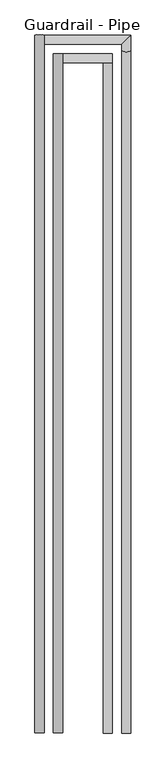
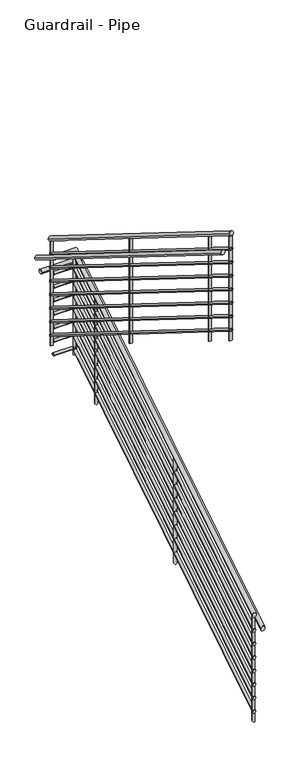
"""IFC4 building model written with IfcOpenShell, lengths in millimetres: railing geometry, Guardrail - Pipe."""

from ifc_helpers import new_model, si_unit, point, frame, frame_2d, origin, place, context, project, spatial, circle_curve, ellipse_curve, trimmed, segment, composite_curve, outline, extrude, source, transform, mapped, element, save
from ifc_brep_helpers import plane_surface, cylinder_surface, advanced_brep


def guardrail_pipe_376e8ecb(model_context):
    return source(origin(), model_context, "Body", "SolidModel", [
        advanced_brep(
        [(59476.8486844, -19849.6368097, 1218.5231361), (59438.7486844, -19849.6368097, 1218.5231361), (59476.8486844, -17100.0868097, 2932.5283309), (59438.7486844, -17100.0868097, 2932.5283309)],
        [
            (0, 1, ellipse_curve(frame((59457.7986844, -19849.6368097, 1218.5231361), z_axis=(0.0, -1.0, 0.0), x_axis=(0.0, 0.0, -1.0)), 22.4482925, 19.05)),
            (1, 0, ellipse_curve(frame((59457.7986844, -19849.6368097, 1218.5231361), z_axis=(0.0, -1.0, 0.0), x_axis=(0.0, 0.0, -1.0)), 22.4482925, 19.05)),
            (2, 3, ellipse_curve(frame((59457.7986844, -17100.0868097, 2932.5283309), z_axis=(0.0, 1.0, 0.0), x_axis=(0.0, 0.0, -1.0)), 22.4482925, 19.05)),
            (3, 2, ellipse_curve(frame((59457.7986844, -17100.0868097, 2932.5283309), z_axis=(0.0, 1.0, 0.0), x_axis=(0.0, 0.0, -1.0)), 22.4482925, 19.05)),
            (0, 2),
            (3, 1),
        ],
        [
            plane_surface(frame((59457.7986844, -19849.6368097, 1240.9714286), z_axis=(0.0, -1.0, 0.0), x_axis=(0.0, 0.0, 1.0))),
            plane_surface(frame((59457.7986844, -17100.0868097, 2954.9766234), z_axis=(0.0, 1.0, 0.0), x_axis=(0.0, 0.0, 1.0))),
            cylinder_surface(frame((59457.7986844, -19839.5592087, 1224.805277), z_axis=(0.0, -0.8486168825713741, -0.5290079267977397), x_axis=(-1.0, 0.0, 0.0)), 19.05),
        ],
        [
            (0, [[1, 2]]),
            (1, [[3, 4]]),
            (2, [[-1, 5, -4, 6]]),
            (2, [[-2, -6, -3, -5]]),
        ],
    ),
        advanced_brep(
        [(59476.8486844, -17061.9868097, 2963.6357143), (59476.8486844, -17100.0868097, 2963.6357143), (59273.2604639, -17061.9868097, 2963.6357143), (59273.2604639, -17100.0868097, 2963.6357143)],
        [
            (0, 1, circle_curve(frame((59476.8486844, -17081.0368097, 2963.6357143), z_axis=(1.0, 0.0, 0.0), x_axis=(0.0, -1.0, 0.0)), 19.05)),
            (1, 0, circle_curve(frame((59476.8486844, -17081.0368097, 2963.6357143), z_axis=(1.0, 0.0, 0.0), x_axis=(0.0, -1.0, 0.0)), 19.05)),
            (2, 3, circle_curve(frame((59273.2604639, -17081.0368097, 2963.6357143), z_axis=(-1.0, 0.0, 0.0), x_axis=(0.0, -1.0, 0.0)), 19.05)),
            (3, 2, circle_curve(frame((59273.2604639, -17081.0368097, 2963.6357143), z_axis=(-1.0, 0.0, 0.0), x_axis=(0.0, -1.0, 0.0)), 19.05)),
            (0, 2),
            (3, 1),
        ],
        [
            plane_surface(frame((59476.8486844, -17081.0368097, 2982.6857143), z_axis=(1.0, 0.0, 0.0), x_axis=(0.0, -1.0, 0.0))),
            plane_surface(frame((59273.2604639, -17081.0368097, 2982.6857143), z_axis=(-1.0, 0.0, 0.0), x_axis=(0.0, -1.0, 0.0))),
            cylinder_surface(frame((59476.8486844, -17081.0368097, 2963.6357143), z_axis=(1.0, 0.0, 0.0), x_axis=(0.0, -1.0, 0.0)), 19.05),
        ],
        [
            (0, [[1, 2]]),
            (1, [[3, 4]]),
            (2, [[-1, 5, -4, 6]]),
            (2, [[-2, -6, -3, -5]]),
        ],
    ),
        advanced_brep(
        [(59235.1604639, -17061.9868097, 3138.3672919), (59273.2604639, -17061.9868097, 3138.3672919), (59235.1604639, -19849.6368097, 4876.1231361), (59273.2604639, -19849.6368097, 4876.1231361)],
        [
            (0, 1, ellipse_curve(frame((59254.2104639, -17061.9868097, 3138.3672919), z_axis=(0.0, 1.0, 0.0), x_axis=(0.0, 0.0, -1.0)), 22.4482925, 19.05)),
            (1, 0, ellipse_curve(frame((59254.2104639, -17061.9868097, 3138.3672919), z_axis=(0.0, 1.0, 0.0), x_axis=(0.0, 0.0, -1.0)), 22.4482925, 19.05)),
            (2, 3, ellipse_curve(frame((59254.2104639, -19849.6368097, 4876.1231361), z_axis=(0.0, -1.0, 0.0), x_axis=(0.0, 0.0, -1.0)), 22.4482925, 19.05)),
            (3, 2, ellipse_curve(frame((59254.2104639, -19849.6368097, 4876.1231361), z_axis=(0.0, -1.0, 0.0), x_axis=(0.0, 0.0, -1.0)), 22.4482925, 19.05)),
            (0, 2),
            (3, 1),
        ],
        [
            plane_surface(frame((59254.2104639, -17061.9868097, 3160.8155844), z_axis=(0.0, 1.0, 0.0), x_axis=(0.0, 0.0, -1.0))),
            plane_surface(frame((59254.2104639, -19849.6368097, 4898.5714286), z_axis=(0.0, -1.0, 0.0), x_axis=(0.0, 0.0, -1.0))),
            cylinder_surface(frame((59254.2104639, -17072.0644107, 3144.6494328), z_axis=(0.0, 0.8486168825713739, -0.5290079267977399), x_axis=(1.0, 0.0, 0.0)), 19.05),
        ],
        [
            (0, [[1, 2]]),
            (1, [[3, 4]]),
            (2, [[-1, 5, -4, 6]]),
            (2, [[-2, -6, -3, -5]]),
        ],
    ),
        advanced_brep(
        [(59470.4986844, -19849.6368097, 1073.6059002), (59445.0986844, -19849.6368097, 1073.6059002), (59470.4986844, -17093.7368097, 2791.5695366), (59445.0986844, -17093.7368097, 2791.5695366)],
        [
            (0, 1, ellipse_curve(frame((59457.7986844, -19849.6368097, 1073.6059002), z_axis=(0.0, -1.0, 0.0), x_axis=(0.0, 0.0, -1.0)), 14.9655283, 12.7)),
            (1, 0, ellipse_curve(frame((59457.7986844, -19849.6368097, 1073.6059002), z_axis=(0.0, -1.0, 0.0), x_axis=(0.0, 0.0, -1.0)), 14.9655283, 12.7)),
            (2, 3, ellipse_curve(frame((59457.7986844, -17093.7368097, 2791.5695366), z_axis=(0.0, 1.0, 0.0), x_axis=(0.0, 0.0, -1.0)), 14.9655283, 12.7)),
            (3, 2, ellipse_curve(frame((59457.7986844, -17093.7368097, 2791.5695366), z_axis=(0.0, 1.0, 0.0), x_axis=(0.0, 0.0, -1.0)), 14.9655283, 12.7)),
            (0, 2),
            (3, 1),
        ],
        [
            plane_surface(frame((59457.7986844, -19849.6368097, 1088.5714286), z_axis=(0.0, -1.0, 0.0), x_axis=(0.0, 0.0, 1.0))),
            plane_surface(frame((59457.7986844, -17093.7368097, 2806.5350649), z_axis=(0.0, 1.0, 0.0), x_axis=(0.0, 0.0, 1.0))),
            cylinder_surface(frame((59457.7986844, -19842.918409, 1077.7939942), z_axis=(0.0, -0.8486168825713741, -0.5290079267977397), x_axis=(-1.0, 0.0, 0.0)), 12.7),
        ],
        [
            (0, [[1, 2]]),
            (1, [[3, 4]]),
            (2, [[-1, 5, -4, 6]]),
            (2, [[-2, -6, -3, -5]]),
        ],
    ),
        advanced_brep(
        [(59470.4986844, -17068.3368097, 2817.5857143), (59470.4986844, -17093.7368097, 2817.5857143), (59266.9104639, -17068.3368097, 2817.5857143), (59266.9104639, -17093.7368097, 2817.5857143)],
        [
            (0, 1, circle_curve(frame((59470.4986844, -17081.0368097, 2817.5857143), z_axis=(1.0, 0.0, 0.0), x_axis=(0.0, -1.0, 0.0)), 12.7)),
            (1, 0, circle_curve(frame((59470.4986844, -17081.0368097, 2817.5857143), z_axis=(1.0, 0.0, 0.0), x_axis=(0.0, -1.0, 0.0)), 12.7)),
            (2, 3, circle_curve(frame((59266.9104639, -17081.0368097, 2817.5857143), z_axis=(-1.0, 0.0, 0.0), x_axis=(0.0, -1.0, 0.0)), 12.7)),
            (3, 2, circle_curve(frame((59266.9104639, -17081.0368097, 2817.5857143), z_axis=(-1.0, 0.0, 0.0), x_axis=(0.0, -1.0, 0.0)), 12.7)),
            (0, 2),
            (3, 1),
        ],
        [
            plane_surface(frame((59470.4986844, -17081.0368097, 2830.2857143), z_axis=(1.0, 0.0, 0.0), x_axis=(0.0, -1.0, 0.0))),
            plane_surface(frame((59266.9104639, -17081.0368097, 2830.2857143), z_axis=(-1.0, 0.0, 0.0), x_axis=(0.0, -1.0, 0.0))),
            cylinder_surface(frame((59470.4986844, -17081.0368097, 2817.5857143), z_axis=(1.0, 0.0, 0.0), x_axis=(0.0, -1.0, 0.0)), 12.7),
        ],
        [
            (0, [[1, 2]]),
            (1, [[3, 4]]),
            (2, [[-1, 5, -4, 6]]),
            (2, [[-2, -6, -3, -5]]),
        ],
    ),
        advanced_brep(
        [(59241.5104639, -17068.3368097, 2997.4084976), (59266.9104639, -17068.3368097, 2997.4084976), (59241.5104639, -19849.6368097, 4731.2059002), (59266.9104639, -19849.6368097, 4731.2059002)],
        [
            (0, 1, ellipse_curve(frame((59254.2104639, -17068.3368097, 2997.4084976), z_axis=(0.0, 1.0, 0.0), x_axis=(0.0, 0.0, -1.0)), 14.9655283, 12.7)),
            (1, 0, ellipse_curve(frame((59254.2104639, -17068.3368097, 2997.4084976), z_axis=(0.0, 1.0, 0.0), x_axis=(0.0, 0.0, -1.0)), 14.9655283, 12.7)),
            (2, 3, ellipse_curve(frame((59254.2104639, -19849.6368097, 4731.2059002), z_axis=(0.0, -1.0, 0.0), x_axis=(0.0, 0.0, -1.0)), 14.9655283, 12.7)),
            (3, 2, ellipse_curve(frame((59254.2104639, -19849.6368097, 4731.2059002), z_axis=(0.0, -1.0, 0.0), x_axis=(0.0, 0.0, -1.0)), 14.9655283, 12.7)),
            (0, 2),
            (3, 1),
        ],
        [
            plane_surface(frame((59254.2104639, -17068.3368097, 3012.374026), z_axis=(0.0, 1.0, 0.0), x_axis=(0.0, 0.0, -1.0))),
            plane_surface(frame((59254.2104639, -19849.6368097, 4746.1714286), z_axis=(0.0, -1.0, 0.0), x_axis=(0.0, 0.0, -1.0))),
            cylinder_surface(frame((59254.2104639, -17075.0552104, 3001.5965916), z_axis=(0.0, 0.8486168825713741, -0.5290079267977398), x_axis=(1.0, 0.0, 0.0)), 12.7),
        ],
        [
            (0, [[1, 2]]),
            (1, [[3, 4]]),
            (2, [[-1, 5, -4, 6]]),
            (2, [[-2, -6, -3, -5]]),
        ],
    ),
        advanced_brep(
        [(59553.0486844, -19849.6368097, 1066.1231361), (59514.9486844, -19849.6368097, 1066.1231361), (59553.0486844, -17050.1853821, 2811.2357143), (59514.9486844, -17050.1853821, 2811.2357143), (59553.0486844, -16985.7868097, 2811.2357143), (59514.9486844, -17023.8868097, 2811.2357143), (59197.0604639, -16985.7868097, 2811.2357143), (59197.0604639, -17023.8868097, 2811.2357143)],
        [
            (0, 1, ellipse_curve(frame((59533.9986844, -19849.6368097, 1066.1231361), z_axis=(0.0, -1.0, 0.0), x_axis=(0.0, 0.0, -1.0)), 22.4482925, 19.05)),
            (1, 0, ellipse_curve(frame((59533.9986844, -19849.6368097, 1066.1231361), z_axis=(0.0, -1.0, 0.0), x_axis=(0.0, 0.0, -1.0)), 22.4482925, 19.05)),
            (0, 2),
            (2, 3, ellipse_curve(frame((59533.9986844, -17050.1853821, 2811.2357143), z_axis=(0.0, -0.9614096116045892, -0.27512098922894446), x_axis=(0.0, 0.27512098922894473, -0.9614096116045893)), 19.8146552, 19.05)),
            (3, 1),
            (3, 2, ellipse_curve(frame((59533.9986844, -17050.1853821, 2811.2357143), z_axis=(0.0, -0.9614096116045892, -0.27512098922894446), x_axis=(0.0, 0.27512098922894473, -0.9614096116045893)), 19.8146552, 19.05)),
            (2, 4),
            (4, 5, ellipse_curve(frame((59533.9986844, -17004.8368097, 2811.2357143), z_axis=(0.7071067811865475, -0.7071067811865475, 0.0), x_axis=(-0.7071067811865474, -0.7071067811865476, 0.0)), 26.9407684, 19.05)),
            (5, 3),
            (5, 4, ellipse_curve(frame((59533.9986844, -17004.8368097, 2811.2357143), z_axis=(0.7071067811865475, -0.7071067811865475, 0.0), x_axis=(-0.7071067811865474, -0.7071067811865476, 0.0)), 26.9407684, 19.05)),
            (6, 7, circle_curve(frame((59197.0604639, -17004.8368097, 2811.2357143), z_axis=(-1.0, 0.0, 0.0), x_axis=(0.0, -1.0, 0.0)), 19.05)),
            (7, 6, circle_curve(frame((59197.0604639, -17004.8368097, 2811.2357143), z_axis=(-1.0, 0.0, 0.0), x_axis=(0.0, -1.0, 0.0)), 19.05)),
            (4, 6),
            (7, 5),
        ],
        [
            plane_surface(frame((59533.9986844, -19849.6368097, 1088.5714286), z_axis=(0.0, -1.0, 0.0), x_axis=(0.0, 0.0, 1.0))),
            cylinder_surface(frame((59533.9986844, -19839.5592087, 1072.405277), z_axis=(0.0, -0.8486168825713741, -0.5290079267977396), x_axis=(-1.0, 0.0, 0.0)), 19.05),
            cylinder_surface(frame((59533.9986844, -17055.6368097, 2811.2357143), z_axis=(0.0, -1.0, 0.0), x_axis=(-1.0, 0.0, 0.0)), 19.05),
            plane_surface(frame((59197.0604639, -17004.8368097, 2830.2857143), z_axis=(-1.0, 0.0, 0.0), x_axis=(0.0, -1.0, 0.0))),
            cylinder_surface(frame((59533.9986844, -17004.8368097, 2811.2357143), z_axis=(1.0, 0.0, 0.0), x_axis=(0.0, -1.0, 0.0)), 19.05),
        ],
        [
            (0, [[1, 2]]),
            (1, [[-1, 3, 4, 5]]),
            (1, [[-2, -5, 6, -3]]),
            (2, [[-4, 7, 8, 9]]),
            (2, [[-6, -9, 10, -7]]),
            (3, [[11, 12]]),
            (4, [[-8, 13, -12, 14]]),
            (4, [[-10, -14, -11, -13]]),
        ],
    ),
        advanced_brep(
        [(59158.9604639, -16985.7868097, 2938.4659932), (59197.0604639, -16985.7868097, 2938.4659932), (59158.9604639, -19849.6368097, 4723.7231361), (59197.0604639, -19849.6368097, 4723.7231361)],
        [
            (0, 1, ellipse_curve(frame((59178.0104639, -16985.7868097, 2938.4659932), z_axis=(0.0, 1.0, 0.0), x_axis=(0.0, 0.0, -1.0)), 22.4482925, 19.05)),
            (1, 0, ellipse_curve(frame((59178.0104639, -16985.7868097, 2938.4659932), z_axis=(0.0, 1.0, 0.0), x_axis=(0.0, 0.0, -1.0)), 22.4482925, 19.05)),
            (2, 3, ellipse_curve(frame((59178.0104639, -19849.6368097, 4723.7231361), z_axis=(0.0, -1.0, 0.0), x_axis=(0.0, 0.0, -1.0)), 22.4482925, 19.05)),
            (3, 2, ellipse_curve(frame((59178.0104639, -19849.6368097, 4723.7231361), z_axis=(0.0, -1.0, 0.0), x_axis=(0.0, 0.0, -1.0)), 22.4482925, 19.05)),
            (0, 2),
            (3, 1),
        ],
        [
            plane_surface(frame((59178.0104639, -16985.7868097, 2960.9142857), z_axis=(0.0, 1.0, 0.0), x_axis=(0.0, 0.0, -1.0))),
            plane_surface(frame((59178.0104639, -19849.6368097, 4746.1714286), z_axis=(0.0, -1.0, 0.0), x_axis=(0.0, 0.0, -1.0))),
            cylinder_surface(frame((59178.0104639, -16995.8644107, 2944.7481341), z_axis=(0.0, 0.8486168825713741, -0.5290079267977398), x_axis=(1.0, 0.0, 0.0)), 19.05),
        ],
        [
            (0, [[1, 2]]),
            (1, [[3, 4]]),
            (2, [[-1, 5, -4, 6]]),
            (2, [[-2, -6, -3, -5]]),
        ],
    ),
        advanced_brep(
        [(59470.4986844, -19849.6368097, 946.6059002), (59445.0986844, -19849.6368097, 946.6059002), (59470.4986844, -17093.7368097, 2664.5695366), (59445.0986844, -17093.7368097, 2664.5695366)],
        [
            (0, 1, ellipse_curve(frame((59457.7986844, -19849.6368097, 946.6059002), z_axis=(0.0, -1.0, 0.0), x_axis=(0.0, 0.0, -1.0)), 14.9655283, 12.7)),
            (1, 0, ellipse_curve(frame((59457.7986844, -19849.6368097, 946.6059002), z_axis=(0.0, -1.0, 0.0), x_axis=(0.0, 0.0, -1.0)), 14.9655283, 12.7)),
            (2, 3, ellipse_curve(frame((59457.7986844, -17093.7368097, 2664.5695366), z_axis=(0.0, 1.0, 0.0), x_axis=(0.0, 0.0, -1.0)), 14.9655283, 12.7)),
            (3, 2, ellipse_curve(frame((59457.7986844, -17093.7368097, 2664.5695366), z_axis=(0.0, 1.0, 0.0), x_axis=(0.0, 0.0, -1.0)), 14.9655283, 12.7)),
            (0, 2),
            (3, 1),
        ],
        [
            plane_surface(frame((59457.7986844, -19849.6368097, 961.5714286), z_axis=(0.0, -1.0, 0.0), x_axis=(0.0, 0.0, 1.0))),
            plane_surface(frame((59457.7986844, -17093.7368097, 2679.5350649), z_axis=(0.0, 1.0, 0.0), x_axis=(0.0, 0.0, 1.0))),
            cylinder_surface(frame((59457.7986844, -19842.918409, 950.7939942), z_axis=(0.0, -0.8486168825713741, -0.5290079267977396), x_axis=(-1.0, 0.0, 0.0)), 12.7),
        ],
        [
            (0, [[1, 2]]),
            (1, [[3, 4]]),
            (2, [[-1, 5, -4, 6]]),
            (2, [[-2, -6, -3, -5]]),
        ],
    ),
        advanced_brep(
        [(59470.4986844, -17068.3368097, 2690.5857143), (59470.4986844, -17093.7368097, 2690.5857143), (59266.9104639, -17068.3368097, 2690.5857143), (59266.9104639, -17093.7368097, 2690.5857143)],
        [
            (0, 1, circle_curve(frame((59470.4986844, -17081.0368097, 2690.5857143), z_axis=(1.0, 0.0, 0.0), x_axis=(0.0, -1.0, 0.0)), 12.7)),
            (1, 0, circle_curve(frame((59470.4986844, -17081.0368097, 2690.5857143), z_axis=(1.0, 0.0, 0.0), x_axis=(0.0, -1.0, 0.0)), 12.7)),
            (2, 3, circle_curve(frame((59266.9104639, -17081.0368097, 2690.5857143), z_axis=(-1.0, 0.0, 0.0), x_axis=(0.0, -1.0, 0.0)), 12.7)),
            (3, 2, circle_curve(frame((59266.9104639, -17081.0368097, 2690.5857143), z_axis=(-1.0, 0.0, 0.0), x_axis=(0.0, -1.0, 0.0)), 12.7)),
            (0, 2),
            (3, 1),
        ],
        [
            plane_surface(frame((59470.4986844, -17081.0368097, 2703.2857143), z_axis=(1.0, 0.0, 0.0), x_axis=(0.0, -1.0, 0.0))),
            plane_surface(frame((59266.9104639, -17081.0368097, 2703.2857143), z_axis=(-1.0, 0.0, 0.0), x_axis=(0.0, -1.0, 0.0))),
            cylinder_surface(frame((59470.4986844, -17081.0368097, 2690.5857143), z_axis=(1.0, 0.0, 0.0), x_axis=(0.0, -1.0, 0.0)), 12.7),
        ],
        [
            (0, [[1, 2]]),
            (1, [[3, 4]]),
            (2, [[-1, 5, -4, 6]]),
            (2, [[-2, -6, -3, -5]]),
        ],
    ),
        advanced_brep(
        [(59241.5104639, -17068.3368097, 2870.4084976), (59266.9104639, -17068.3368097, 2870.4084976), (59241.5104639, -19849.6368097, 4604.2059002), (59266.9104639, -19849.6368097, 4604.2059002)],
        [
            (0, 1, ellipse_curve(frame((59254.2104639, -17068.3368097, 2870.4084976), z_axis=(0.0, 1.0, 0.0), x_axis=(0.0, 0.0, -1.0)), 14.9655283, 12.7)),
            (1, 0, ellipse_curve(frame((59254.2104639, -17068.3368097, 2870.4084976), z_axis=(0.0, 1.0, 0.0), x_axis=(0.0, 0.0, -1.0)), 14.9655283, 12.7)),
            (2, 3, ellipse_curve(frame((59254.2104639, -19849.6368097, 4604.2059002), z_axis=(0.0, -1.0, 0.0), x_axis=(0.0, 0.0, -1.0)), 14.9655283, 12.7)),
            (3, 2, ellipse_curve(frame((59254.2104639, -19849.6368097, 4604.2059002), z_axis=(0.0, -1.0, 0.0), x_axis=(0.0, 0.0, -1.0)), 14.9655283, 12.7)),
            (0, 2),
            (3, 1),
        ],
        [
            plane_surface(frame((59254.2104639, -17068.3368097, 2885.374026), z_axis=(0.0, 1.0, 0.0), x_axis=(0.0, 0.0, -1.0))),
            plane_surface(frame((59254.2104639, -19849.6368097, 4619.1714286), z_axis=(0.0, -1.0, 0.0), x_axis=(0.0, 0.0, -1.0))),
            cylinder_surface(frame((59254.2104639, -17075.0552104, 2874.5965916), z_axis=(0.0, 0.8486168825713739, -0.5290079267977399), x_axis=(1.0, 0.0, 0.0)), 12.7),
        ],
        [
            (0, [[1, 2]]),
            (1, [[3, 4]]),
            (2, [[-1, 5, -4, 6]]),
            (2, [[-2, -6, -3, -5]]),
        ],
    ),
        advanced_brep(
        [(59470.4986844, -19849.6368097, 819.6059002), (59445.0986844, -19849.6368097, 819.6059002), (59470.4986844, -17093.7368097, 2537.5695366), (59445.0986844, -17093.7368097, 2537.5695366)],
        [
            (0, 1, ellipse_curve(frame((59457.7986844, -19849.6368097, 819.6059002), z_axis=(0.0, -1.0, 0.0), x_axis=(0.0, 0.0, -1.0)), 14.9655283, 12.7)),
            (1, 0, ellipse_curve(frame((59457.7986844, -19849.6368097, 819.6059002), z_axis=(0.0, -1.0, 0.0), x_axis=(0.0, 0.0, -1.0)), 14.9655283, 12.7)),
            (2, 3, ellipse_curve(frame((59457.7986844, -17093.7368097, 2537.5695366), z_axis=(0.0, 1.0, 0.0), x_axis=(0.0, 0.0, -1.0)), 14.9655283, 12.7)),
            (3, 2, ellipse_curve(frame((59457.7986844, -17093.7368097, 2537.5695366), z_axis=(0.0, 1.0, 0.0), x_axis=(0.0, 0.0, -1.0)), 14.9655283, 12.7)),
            (0, 2),
            (3, 1),
        ],
        [
            plane_surface(frame((59457.7986844, -19849.6368097, 834.5714286), z_axis=(0.0, -1.0, 0.0), x_axis=(0.0, 0.0, 1.0))),
            plane_surface(frame((59457.7986844, -17093.7368097, 2552.5350649), z_axis=(0.0, 1.0, 0.0), x_axis=(0.0, 0.0, 1.0))),
            cylinder_surface(frame((59457.7986844, -19842.918409, 823.7939942), z_axis=(0.0, -0.8486168825713741, -0.5290079267977396), x_axis=(-1.0, 0.0, 0.0)), 12.7),
        ],
        [
            (0, [[1, 2]]),
            (1, [[3, 4]]),
            (2, [[-1, 5, -4, 6]]),
            (2, [[-2, -6, -3, -5]]),
        ],
    ),
        advanced_brep(
        [(59470.4986844, -17068.3368097, 2563.5857143), (59470.4986844, -17093.7368097, 2563.5857143), (59266.9104639, -17068.3368097, 2563.5857143), (59266.9104639, -17093.7368097, 2563.5857143)],
        [
            (0, 1, circle_curve(frame((59470.4986844, -17081.0368097, 2563.5857143), z_axis=(1.0, 0.0, 0.0), x_axis=(0.0, -1.0, 0.0)), 12.7)),
            (1, 0, circle_curve(frame((59470.4986844, -17081.0368097, 2563.5857143), z_axis=(1.0, 0.0, 0.0), x_axis=(0.0, -1.0, 0.0)), 12.7)),
            (2, 3, circle_curve(frame((59266.9104639, -17081.0368097, 2563.5857143), z_axis=(-1.0, 0.0, 0.0), x_axis=(0.0, -1.0, 0.0)), 12.7)),
            (3, 2, circle_curve(frame((59266.9104639, -17081.0368097, 2563.5857143), z_axis=(-1.0, 0.0, 0.0), x_axis=(0.0, -1.0, 0.0)), 12.7)),
            (0, 2),
            (3, 1),
        ],
        [
            plane_surface(frame((59470.4986844, -17081.0368097, 2576.2857143), z_axis=(1.0, 0.0, 0.0), x_axis=(0.0, -1.0, 0.0))),
            plane_surface(frame((59266.9104639, -17081.0368097, 2576.2857143), z_axis=(-1.0, 0.0, 0.0), x_axis=(0.0, -1.0, 0.0))),
            cylinder_surface(frame((59470.4986844, -17081.0368097, 2563.5857143), z_axis=(1.0, 0.0, 0.0), x_axis=(0.0, -1.0, 0.0)), 12.7),
        ],
        [
            (0, [[1, 2]]),
            (1, [[3, 4]]),
            (2, [[-1, 5, -4, 6]]),
            (2, [[-2, -6, -3, -5]]),
        ],
    ),
        advanced_brep(
        [(59241.5104639, -17068.3368097, 2743.4084976), (59266.9104639, -17068.3368097, 2743.4084976), (59241.5104639, -19849.6368097, 4477.2059002), (59266.9104639, -19849.6368097, 4477.2059002)],
        [
            (0, 1, ellipse_curve(frame((59254.2104639, -17068.3368097, 2743.4084976), z_axis=(0.0, 1.0, 0.0), x_axis=(0.0, 0.0, -1.0)), 14.9655283, 12.7)),
            (1, 0, ellipse_curve(frame((59254.2104639, -17068.3368097, 2743.4084976), z_axis=(0.0, 1.0, 0.0), x_axis=(0.0, 0.0, -1.0)), 14.9655283, 12.7)),
            (2, 3, ellipse_curve(frame((59254.2104639, -19849.6368097, 4477.2059002), z_axis=(0.0, -1.0, 0.0), x_axis=(0.0, 0.0, -1.0)), 14.9655283, 12.7)),
            (3, 2, ellipse_curve(frame((59254.2104639, -19849.6368097, 4477.2059002), z_axis=(0.0, -1.0, 0.0), x_axis=(0.0, 0.0, -1.0)), 14.9655283, 12.7)),
            (0, 2),
            (3, 1),
        ],
        [
            plane_surface(frame((59254.2104639, -17068.3368097, 2758.374026), z_axis=(0.0, 1.0, 0.0), x_axis=(0.0, 0.0, -1.0))),
            plane_surface(frame((59254.2104639, -19849.6368097, 4492.1714286), z_axis=(0.0, -1.0, 0.0), x_axis=(0.0, 0.0, -1.0))),
            cylinder_surface(frame((59254.2104639, -17075.0552104, 2747.5965916), z_axis=(0.0, 0.8486168825713741, -0.5290079267977398), x_axis=(1.0, 0.0, 0.0)), 12.7),
        ],
        [
            (0, [[1, 2]]),
            (1, [[3, 4]]),
            (2, [[-1, 5, -4, 6]]),
            (2, [[-2, -6, -3, -5]]),
        ],
    ),
        advanced_brep(
        [(59470.4986844, -19849.6368097, 692.6059002), (59445.0986844, -19849.6368097, 692.6059002), (59470.4986844, -17093.7368097, 2410.5695366), (59445.0986844, -17093.7368097, 2410.5695366)],
        [
            (0, 1, ellipse_curve(frame((59457.7986844, -19849.6368097, 692.6059002), z_axis=(0.0, -1.0, 0.0), x_axis=(0.0, 0.0, -1.0)), 14.9655283, 12.7)),
            (1, 0, ellipse_curve(frame((59457.7986844, -19849.6368097, 692.6059002), z_axis=(0.0, -1.0, 0.0), x_axis=(0.0, 0.0, -1.0)), 14.9655283, 12.7)),
            (2, 3, ellipse_curve(frame((59457.7986844, -17093.7368097, 2410.5695366), z_axis=(0.0, 1.0, 0.0), x_axis=(0.0, 0.0, -1.0)), 14.9655283, 12.7)),
            (3, 2, ellipse_curve(frame((59457.7986844, -17093.7368097, 2410.5695366), z_axis=(0.0, 1.0, 0.0), x_axis=(0.0, 0.0, -1.0)), 14.9655283, 12.7)),
            (0, 2),
            (3, 1),
        ],
        [
            plane_surface(frame((59457.7986844, -19849.6368097, 707.5714286), z_axis=(0.0, -1.0, 0.0), x_axis=(0.0, 0.0, 1.0))),
            plane_surface(frame((59457.7986844, -17093.7368097, 2425.5350649), z_axis=(0.0, 1.0, 0.0), x_axis=(0.0, 0.0, 1.0))),
            cylinder_surface(frame((59457.7986844, -19842.918409, 696.7939942), z_axis=(0.0, -0.8486168825713741, -0.5290079267977396), x_axis=(-1.0, 0.0, 0.0)), 12.7),
        ],
        [
            (0, [[1, 2]]),
            (1, [[3, 4]]),
            (2, [[-1, 5, -4, 6]]),
            (2, [[-2, -6, -3, -5]]),
        ],
    ),
        advanced_brep(
        [(59470.4986844, -17068.3368097, 2436.5857143), (59470.4986844, -17093.7368097, 2436.5857143), (59266.9104639, -17068.3368097, 2436.5857143), (59266.9104639, -17093.7368097, 2436.5857143)],
        [
            (0, 1, circle_curve(frame((59470.4986844, -17081.0368097, 2436.5857143), z_axis=(1.0, 0.0, 0.0), x_axis=(0.0, -1.0, 0.0)), 12.7)),
            (1, 0, circle_curve(frame((59470.4986844, -17081.0368097, 2436.5857143), z_axis=(1.0, 0.0, 0.0), x_axis=(0.0, -1.0, 0.0)), 12.7)),
            (2, 3, circle_curve(frame((59266.9104639, -17081.0368097, 2436.5857143), z_axis=(-1.0, 0.0, 0.0), x_axis=(0.0, -1.0, 0.0)), 12.7)),
            (3, 2, circle_curve(frame((59266.9104639, -17081.0368097, 2436.5857143), z_axis=(-1.0, 0.0, 0.0), x_axis=(0.0, -1.0, 0.0)), 12.7)),
            (0, 2),
            (3, 1),
        ],
        [
            plane_surface(frame((59470.4986844, -17081.0368097, 2449.2857143), z_axis=(1.0, 0.0, 0.0), x_axis=(0.0, -1.0, 0.0))),
            plane_surface(frame((59266.9104639, -17081.0368097, 2449.2857143), z_axis=(-1.0, 0.0, 0.0), x_axis=(0.0, -1.0, 0.0))),
            cylinder_surface(frame((59470.4986844, -17081.0368097, 2436.5857143), z_axis=(1.0, 0.0, 0.0), x_axis=(0.0, -1.0, 0.0)), 12.7),
        ],
        [
            (0, [[1, 2]]),
            (1, [[3, 4]]),
            (2, [[-1, 5, -4, 6]]),
            (2, [[-2, -6, -3, -5]]),
        ],
    ),
        advanced_brep(
        [(59241.5104639, -17068.3368097, 2616.4084976), (59266.9104639, -17068.3368097, 2616.4084976), (59241.5104639, -19849.6368097, 4350.2059002), (59266.9104639, -19849.6368097, 4350.2059002)],
        [
            (0, 1, ellipse_curve(frame((59254.2104639, -17068.3368097, 2616.4084976), z_axis=(0.0, 1.0, 0.0), x_axis=(0.0, 0.0, -1.0)), 14.9655283, 12.7)),
            (1, 0, ellipse_curve(frame((59254.2104639, -17068.3368097, 2616.4084976), z_axis=(0.0, 1.0, 0.0), x_axis=(0.0, 0.0, -1.0)), 14.9655283, 12.7)),
            (2, 3, ellipse_curve(frame((59254.2104639, -19849.6368097, 4350.2059002), z_axis=(0.0, -1.0, 0.0), x_axis=(0.0, 0.0, -1.0)), 14.9655283, 12.7)),
            (3, 2, ellipse_curve(frame((59254.2104639, -19849.6368097, 4350.2059002), z_axis=(0.0, -1.0, 0.0), x_axis=(0.0, 0.0, -1.0)), 14.9655283, 12.7)),
            (0, 2),
            (3, 1),
        ],
        [
            plane_surface(frame((59254.2104639, -17068.3368097, 2631.374026), z_axis=(0.0, 1.0, 0.0), x_axis=(0.0, 0.0, -1.0))),
            plane_surface(frame((59254.2104639, -19849.6368097, 4365.1714286), z_axis=(0.0, -1.0, 0.0), x_axis=(0.0, 0.0, -1.0))),
            cylinder_surface(frame((59254.2104639, -17075.0552104, 2620.5965916), z_axis=(0.0, 0.8486168825713741, -0.5290079267977398), x_axis=(1.0, 0.0, 0.0)), 12.7),
        ],
        [
            (0, [[1, 2]]),
            (1, [[3, 4]]),
            (2, [[-1, 5, -4, 6]]),
            (2, [[-2, -6, -3, -5]]),
        ],
    ),
        advanced_brep(
        [(59470.4986844, -19849.6368097, 565.6059002), (59445.0986844, -19849.6368097, 565.6059002), (59470.4986844, -17093.7368097, 2283.5695366), (59445.0986844, -17093.7368097, 2283.5695366)],
        [
            (0, 1, ellipse_curve(frame((59457.7986844, -19849.6368097, 565.6059002), z_axis=(0.0, -1.0, 0.0), x_axis=(0.0, 0.0, -1.0)), 14.9655283, 12.7)),
            (1, 0, ellipse_curve(frame((59457.7986844, -19849.6368097, 565.6059002), z_axis=(0.0, -1.0, 0.0), x_axis=(0.0, 0.0, -1.0)), 14.9655283, 12.7)),
            (2, 3, ellipse_curve(frame((59457.7986844, -17093.7368097, 2283.5695366), z_axis=(0.0, 1.0, 0.0), x_axis=(0.0, 0.0, -1.0)), 14.9655283, 12.7)),
            (3, 2, ellipse_curve(frame((59457.7986844, -17093.7368097, 2283.5695366), z_axis=(0.0, 1.0, 0.0), x_axis=(0.0, 0.0, -1.0)), 14.9655283, 12.7)),
            (0, 2),
            (3, 1),
        ],
        [
            plane_surface(frame((59457.7986844, -19849.6368097, 580.5714286), z_axis=(0.0, -1.0, 0.0), x_axis=(0.0, 0.0, 1.0))),
            plane_surface(frame((59457.7986844, -17093.7368097, 2298.5350649), z_axis=(0.0, 1.0, 0.0), x_axis=(0.0, 0.0, 1.0))),
            cylinder_surface(frame((59457.7986844, -19842.918409, 569.7939942), z_axis=(0.0, -0.8486168825713741, -0.5290079267977396), x_axis=(-1.0, 0.0, 0.0)), 12.7),
        ],
        [
            (0, [[1, 2]]),
            (1, [[3, 4]]),
            (2, [[-1, 5, -4, 6]]),
            (2, [[-2, -6, -3, -5]]),
        ],
    ),
        advanced_brep(
        [(59470.4986844, -17068.3368097, 2309.5857143), (59470.4986844, -17093.7368097, 2309.5857143), (59266.9104639, -17068.3368097, 2309.5857143), (59266.9104639, -17093.7368097, 2309.5857143)],
        [
            (0, 1, circle_curve(frame((59470.4986844, -17081.0368097, 2309.5857143), z_axis=(1.0, 0.0, 0.0), x_axis=(0.0, -1.0, 0.0)), 12.7)),
            (1, 0, circle_curve(frame((59470.4986844, -17081.0368097, 2309.5857143), z_axis=(1.0, 0.0, 0.0), x_axis=(0.0, -1.0, 0.0)), 12.7)),
            (2, 3, circle_curve(frame((59266.9104639, -17081.0368097, 2309.5857143), z_axis=(-1.0, 0.0, 0.0), x_axis=(0.0, -1.0, 0.0)), 12.7)),
            (3, 2, circle_curve(frame((59266.9104639, -17081.0368097, 2309.5857143), z_axis=(-1.0, 0.0, 0.0), x_axis=(0.0, -1.0, 0.0)), 12.7)),
            (0, 2),
            (3, 1),
        ],
        [
            plane_surface(frame((59470.4986844, -17081.0368097, 2322.2857143), z_axis=(1.0, 0.0, 0.0), x_axis=(0.0, -1.0, 0.0))),
            plane_surface(frame((59266.9104639, -17081.0368097, 2322.2857143), z_axis=(-1.0, 0.0, 0.0), x_axis=(0.0, -1.0, 0.0))),
            cylinder_surface(frame((59470.4986844, -17081.0368097, 2309.5857143), z_axis=(1.0, 0.0, 0.0), x_axis=(0.0, -1.0, 0.0)), 12.7),
        ],
        [
            (0, [[1, 2]]),
            (1, [[3, 4]]),
            (2, [[-1, 5, -4, 6]]),
            (2, [[-2, -6, -3, -5]]),
        ],
    ),
        advanced_brep(
        [(59241.5104639, -17068.3368097, 2489.4084976), (59266.9104639, -17068.3368097, 2489.4084976), (59241.5104639, -19849.6368097, 4223.2059002), (59266.9104639, -19849.6368097, 4223.2059002)],
        [
            (0, 1, ellipse_curve(frame((59254.2104639, -17068.3368097, 2489.4084976), z_axis=(0.0, 1.0, 0.0), x_axis=(0.0, 0.0, -1.0)), 14.9655283, 12.7)),
            (1, 0, ellipse_curve(frame((59254.2104639, -17068.3368097, 2489.4084976), z_axis=(0.0, 1.0, 0.0), x_axis=(0.0, 0.0, -1.0)), 14.9655283, 12.7)),
            (2, 3, ellipse_curve(frame((59254.2104639, -19849.6368097, 4223.2059002), z_axis=(0.0, -1.0, 0.0), x_axis=(0.0, 0.0, -1.0)), 14.9655283, 12.7)),
            (3, 2, ellipse_curve(frame((59254.2104639, -19849.6368097, 4223.2059002), z_axis=(0.0, -1.0, 0.0), x_axis=(0.0, 0.0, -1.0)), 14.9655283, 12.7)),
            (0, 2),
            (3, 1),
        ],
        [
            plane_surface(frame((59254.2104639, -17068.3368097, 2504.374026), z_axis=(0.0, 1.0, 0.0), x_axis=(0.0, 0.0, -1.0))),
            plane_surface(frame((59254.2104639, -19849.6368097, 4238.1714286), z_axis=(0.0, -1.0, 0.0), x_axis=(0.0, 0.0, -1.0))),
            cylinder_surface(frame((59254.2104639, -17075.0552104, 2493.5965916), z_axis=(0.0, 0.8486168825713741, -0.5290079267977398), x_axis=(1.0, 0.0, 0.0)), 12.7),
        ],
        [
            (0, [[1, 2]]),
            (1, [[3, 4]]),
            (2, [[-1, 5, -4, 6]]),
            (2, [[-2, -6, -3, -5]]),
        ],
    ),
        advanced_brep(
        [(59470.4986844, -19849.6368097, 438.6059002), (59445.0986844, -19849.6368097, 438.6059002), (59470.4986844, -17093.7368097, 2156.5695366), (59445.0986844, -17093.7368097, 2156.5695366)],
        [
            (0, 1, ellipse_curve(frame((59457.7986844, -19849.6368097, 438.6059002), z_axis=(0.0, -1.0, 0.0), x_axis=(0.0, 0.0, -1.0)), 14.9655283, 12.7)),
            (1, 0, ellipse_curve(frame((59457.7986844, -19849.6368097, 438.6059002), z_axis=(0.0, -1.0, 0.0), x_axis=(0.0, 0.0, -1.0)), 14.9655283, 12.7)),
            (2, 3, ellipse_curve(frame((59457.7986844, -17093.7368097, 2156.5695366), z_axis=(0.0, 1.0, 0.0), x_axis=(0.0, 0.0, -1.0)), 14.9655283, 12.7)),
            (3, 2, ellipse_curve(frame((59457.7986844, -17093.7368097, 2156.5695366), z_axis=(0.0, 1.0, 0.0), x_axis=(0.0, 0.0, -1.0)), 14.9655283, 12.7)),
            (0, 2),
            (3, 1),
        ],
        [
            plane_surface(frame((59457.7986844, -19849.6368097, 453.5714286), z_axis=(0.0, -1.0, 0.0), x_axis=(0.0, 0.0, 1.0))),
            plane_surface(frame((59457.7986844, -17093.7368097, 2171.5350649), z_axis=(0.0, 1.0, 0.0), x_axis=(0.0, 0.0, 1.0))),
            cylinder_surface(frame((59457.7986844, -19842.918409, 442.7939942), z_axis=(0.0, -0.8486168825713741, -0.5290079267977396), x_axis=(-1.0, 0.0, 0.0)), 12.7),
        ],
        [
            (0, [[1, 2]]),
            (1, [[3, 4]]),
            (2, [[-1, 5, -4, 6]]),
            (2, [[-2, -6, -3, -5]]),
        ],
    ),
        advanced_brep(
        [(59470.4986844, -17068.3368097, 2182.5857143), (59470.4986844, -17093.7368097, 2182.5857143), (59266.9104639, -17068.3368097, 2182.5857143), (59266.9104639, -17093.7368097, 2182.5857143)],
        [
            (0, 1, circle_curve(frame((59470.4986844, -17081.0368097, 2182.5857143), z_axis=(1.0, 0.0, 0.0), x_axis=(0.0, -1.0, 0.0)), 12.7)),
            (1, 0, circle_curve(frame((59470.4986844, -17081.0368097, 2182.5857143), z_axis=(1.0, 0.0, 0.0), x_axis=(0.0, -1.0, 0.0)), 12.7)),
            (2, 3, circle_curve(frame((59266.9104639, -17081.0368097, 2182.5857143), z_axis=(-1.0, 0.0, 0.0), x_axis=(0.0, -1.0, 0.0)), 12.7)),
            (3, 2, circle_curve(frame((59266.9104639, -17081.0368097, 2182.5857143), z_axis=(-1.0, 0.0, 0.0), x_axis=(0.0, -1.0, 0.0)), 12.7)),
            (0, 2),
            (3, 1),
        ],
        [
            plane_surface(frame((59470.4986844, -17081.0368097, 2195.2857143), z_axis=(1.0, 0.0, 0.0), x_axis=(0.0, -1.0, 0.0))),
            plane_surface(frame((59266.9104639, -17081.0368097, 2195.2857143), z_axis=(-1.0, 0.0, 0.0), x_axis=(0.0, -1.0, 0.0))),
            cylinder_surface(frame((59470.4986844, -17081.0368097, 2182.5857143), z_axis=(1.0, 0.0, 0.0), x_axis=(0.0, -1.0, 0.0)), 12.7),
        ],
        [
            (0, [[1, 2]]),
            (1, [[3, 4]]),
            (2, [[-1, 5, -4, 6]]),
            (2, [[-2, -6, -3, -5]]),
        ],
    ),
        advanced_brep(
        [(59241.5104639, -17068.3368097, 2362.4084976), (59266.9104639, -17068.3368097, 2362.4084976), (59241.5104639, -19849.6368097, 4096.2059002), (59266.9104639, -19849.6368097, 4096.2059002)],
        [
            (0, 1, ellipse_curve(frame((59254.2104639, -17068.3368097, 2362.4084976), z_axis=(0.0, 1.0, 0.0), x_axis=(0.0, 0.0, -1.0)), 14.9655283, 12.7)),
            (1, 0, ellipse_curve(frame((59254.2104639, -17068.3368097, 2362.4084976), z_axis=(0.0, 1.0, 0.0), x_axis=(0.0, 0.0, -1.0)), 14.9655283, 12.7)),
            (2, 3, ellipse_curve(frame((59254.2104639, -19849.6368097, 4096.2059002), z_axis=(0.0, -1.0, 0.0), x_axis=(0.0, 0.0, -1.0)), 14.9655283, 12.7)),
            (3, 2, ellipse_curve(frame((59254.2104639, -19849.6368097, 4096.2059002), z_axis=(0.0, -1.0, 0.0), x_axis=(0.0, 0.0, -1.0)), 14.9655283, 12.7)),
            (0, 2),
            (3, 1),
        ],
        [
            plane_surface(frame((59254.2104639, -17068.3368097, 2377.374026), z_axis=(0.0, 1.0, 0.0), x_axis=(0.0, 0.0, -1.0))),
            plane_surface(frame((59254.2104639, -19849.6368097, 4111.1714286), z_axis=(0.0, -1.0, 0.0), x_axis=(0.0, 0.0, -1.0))),
            cylinder_surface(frame((59254.2104639, -17075.0552104, 2366.5965916), z_axis=(0.0, 0.8486168825713741, -0.5290079267977397), x_axis=(1.0, 0.0, 0.0)), 12.7),
        ],
        [
            (0, [[1, 2]]),
            (1, [[3, 4]]),
            (2, [[-1, 5, -4, 6]]),
            (2, [[-2, -6, -3, -5]]),
        ],
    ),
        advanced_brep(
        [(59470.4986844, -19849.6368097, 311.6059002), (59445.0986844, -19849.6368097, 311.6059002), (59470.4986844, -17093.7368097, 2029.5695366), (59445.0986844, -17093.7368097, 2029.5695366)],
        [
            (0, 1, ellipse_curve(frame((59457.7986844, -19849.6368097, 311.6059002), z_axis=(0.0, -1.0, 0.0), x_axis=(0.0, 0.0, -1.0)), 14.9655283, 12.7)),
            (1, 0, ellipse_curve(frame((59457.7986844, -19849.6368097, 311.6059002), z_axis=(0.0, -1.0, 0.0), x_axis=(0.0, 0.0, -1.0)), 14.9655283, 12.7)),
            (2, 3, ellipse_curve(frame((59457.7986844, -17093.7368097, 2029.5695366), z_axis=(0.0, 1.0, 0.0), x_axis=(0.0, 0.0, -1.0)), 14.9655283, 12.7)),
            (3, 2, ellipse_curve(frame((59457.7986844, -17093.7368097, 2029.5695366), z_axis=(0.0, 1.0, 0.0), x_axis=(0.0, 0.0, -1.0)), 14.9655283, 12.7)),
            (0, 2),
            (3, 1),
        ],
        [
            plane_surface(frame((59457.7986844, -19849.6368097, 326.5714286), z_axis=(0.0, -1.0, 0.0), x_axis=(0.0, 0.0, 1.0))),
            plane_surface(frame((59457.7986844, -17093.7368097, 2044.5350649), z_axis=(0.0, 1.0, 0.0), x_axis=(0.0, 0.0, 1.0))),
            cylinder_surface(frame((59457.7986844, -19842.918409, 315.7939942), z_axis=(0.0, -0.8486168825713741, -0.5290079267977396), x_axis=(-1.0, 0.0, 0.0)), 12.7),
        ],
        [
            (0, [[1, 2]]),
            (1, [[3, 4]]),
            (2, [[-1, 5, -4, 6]]),
            (2, [[-2, -6, -3, -5]]),
        ],
    ),
        advanced_brep(
        [(59470.4986844, -17068.3368097, 2055.5857143), (59470.4986844, -17093.7368097, 2055.5857143), (59266.9104639, -17068.3368097, 2055.5857143), (59266.9104639, -17093.7368097, 2055.5857143)],
        [
            (0, 1, circle_curve(frame((59470.4986844, -17081.0368097, 2055.5857143), z_axis=(1.0, 0.0, 0.0), x_axis=(0.0, -1.0, 0.0)), 12.7)),
            (1, 0, circle_curve(frame((59470.4986844, -17081.0368097, 2055.5857143), z_axis=(1.0, 0.0, 0.0), x_axis=(0.0, -1.0, 0.0)), 12.7)),
            (2, 3, circle_curve(frame((59266.9104639, -17081.0368097, 2055.5857143), z_axis=(-1.0, 0.0, 0.0), x_axis=(0.0, -1.0, 0.0)), 12.7)),
            (3, 2, circle_curve(frame((59266.9104639, -17081.0368097, 2055.5857143), z_axis=(-1.0, 0.0, 0.0), x_axis=(0.0, -1.0, 0.0)), 12.7)),
            (0, 2),
            (3, 1),
        ],
        [
            plane_surface(frame((59470.4986844, -17081.0368097, 2068.2857143), z_axis=(1.0, 0.0, 0.0), x_axis=(0.0, -1.0, 0.0))),
            plane_surface(frame((59266.9104639, -17081.0368097, 2068.2857143), z_axis=(-1.0, 0.0, 0.0), x_axis=(0.0, -1.0, 0.0))),
            cylinder_surface(frame((59470.4986844, -17081.0368097, 2055.5857143), z_axis=(1.0, 0.0, 0.0), x_axis=(0.0, -1.0, 0.0)), 12.7),
        ],
        [
            (0, [[1, 2]]),
            (1, [[3, 4]]),
            (2, [[-1, 5, -4, 6]]),
            (2, [[-2, -6, -3, -5]]),
        ],
    ),
        advanced_brep(
        [(59241.5104639, -17068.3368097, 2235.4084976), (59266.9104639, -17068.3368097, 2235.4084976), (59241.5104639, -19849.6368097, 3969.2059002), (59266.9104639, -19849.6368097, 3969.2059002)],
        [
            (0, 1, ellipse_curve(frame((59254.2104639, -17068.3368097, 2235.4084976), z_axis=(0.0, 1.0, 0.0), x_axis=(0.0, 0.0, -1.0)), 14.9655283, 12.7)),
            (1, 0, ellipse_curve(frame((59254.2104639, -17068.3368097, 2235.4084976), z_axis=(0.0, 1.0, 0.0), x_axis=(0.0, 0.0, -1.0)), 14.9655283, 12.7)),
            (2, 3, ellipse_curve(frame((59254.2104639, -19849.6368097, 3969.2059002), z_axis=(0.0, -1.0, 0.0), x_axis=(0.0, 0.0, -1.0)), 14.9655283, 12.7)),
            (3, 2, ellipse_curve(frame((59254.2104639, -19849.6368097, 3969.2059002), z_axis=(0.0, -1.0, 0.0), x_axis=(0.0, 0.0, -1.0)), 14.9655283, 12.7)),
            (0, 2),
            (3, 1),
        ],
        [
            plane_surface(frame((59254.2104639, -17068.3368097, 2250.374026), z_axis=(0.0, 1.0, 0.0), x_axis=(0.0, 0.0, -1.0))),
            plane_surface(frame((59254.2104639, -19849.6368097, 3984.1714286), z_axis=(0.0, -1.0, 0.0), x_axis=(0.0, 0.0, -1.0))),
            cylinder_surface(frame((59254.2104639, -17075.0552104, 2239.5965916), z_axis=(0.0, 0.8486168825713741, -0.5290079267977398), x_axis=(1.0, 0.0, 0.0)), 12.7),
        ],
        [
            (0, [[1, 2]]),
            (1, [[3, 4]]),
            (2, [[-1, 5, -4, 6]]),
            (2, [[-2, -6, -3, -5]]),
        ],
    ),
        advanced_brep(
        [(59266.9104639, -19519.4368097, 4647.8358825), (59241.5104639, -19519.4368097, 4647.8358825), (59241.5104639, -19519.4368097, 3665.5138695), (59266.9104639, -19519.4368097, 3665.5138695)],
        [
            (0, 1, ellipse_curve(frame((59254.2104639, -19519.4368097, 4647.8358825), z_axis=(0.0, -0.5290079267977398, -0.848616882571374), x_axis=(0.0, -0.848616882571374, 0.5290079267977398)), 14.9655283, 12.7)),
            (1, 2),
            (2, 3, ellipse_curve(frame((59254.2104639, -19519.4368097, 3665.5138695), z_axis=(0.0, 0.5290079267977398, 0.8486168825713741), x_axis=(0.0, -0.8486168825713741, 0.5290079267977393)), 14.9655283, 12.7)),
            (3, 0),
            (3, 2, ellipse_curve(frame((59254.2104639, -19519.4368097, 3665.5138695), z_axis=(0.0, 0.5290079267977398, 0.8486168825713741), x_axis=(0.0, -0.8486168825713741, 0.5290079267977393)), 14.9655283, 12.7)),
            (1, 0, ellipse_curve(frame((59254.2104639, -19519.4368097, 4647.8358825), z_axis=(0.0, -0.5290079267977398, -0.848616882571374), x_axis=(0.0, -0.848616882571374, 0.5290079267977398)), 14.9655283, 12.7)),
        ],
        [
            cylinder_surface(frame((59254.2104639, -19519.4368097, 3436.9138695), z_axis=(0.0, 0.0, 1.0), x_axis=(-1.0, 0.0, 0.0)), 12.7),
            plane_surface(frame((59228.8104639, -19544.8368097, 4663.6696488), z_axis=(0.0, 0.5290079267977398, 0.848616882571374), x_axis=(1.0, 0.0, 0.0))),
            plane_surface(frame((59228.8104639, -19494.0368097, 3649.6801033), z_axis=(0.0, -0.5290079267977398, -0.8486168825713741), x_axis=(1.0, 0.0, 0.0))),
        ],
        [
            (0, [[1, 2, 3, 4]]),
            (0, [[5, -2, 6, -4]]),
            (1, [[-6, -1]]),
            (2, [[-5, -3]]),
        ],
    ),
        advanced_brep(
        [(59266.9104639, -18300.2368097, 3887.8151033), (59241.5104639, -18300.2368097, 3887.8151033), (59241.5104639, -18300.2368097, 2905.4930903), (59266.9104639, -18300.2368097, 2905.4930903)],
        [
            (0, 1, ellipse_curve(frame((59254.2104639, -18300.2368097, 3887.8151033), z_axis=(0.0, -0.5290079267977398, -0.848616882571374), x_axis=(0.0, -0.848616882571374, 0.5290079267977398)), 14.9655283, 12.7)),
            (1, 2),
            (2, 3, ellipse_curve(frame((59254.2104639, -18300.2368097, 2905.4930903), z_axis=(0.0, 0.5290079267977398, 0.8486168825713741), x_axis=(0.0, -0.8486168825713741, 0.5290079267977393)), 14.9655283, 12.7)),
            (3, 0),
            (3, 2, ellipse_curve(frame((59254.2104639, -18300.2368097, 2905.4930903), z_axis=(0.0, 0.5290079267977398, 0.8486168825713741), x_axis=(0.0, -0.8486168825713741, 0.5290079267977393)), 14.9655283, 12.7)),
            (1, 0, ellipse_curve(frame((59254.2104639, -18300.2368097, 3887.8151033), z_axis=(0.0, -0.5290079267977398, -0.848616882571374), x_axis=(0.0, -0.848616882571374, 0.5290079267977398)), 14.9655283, 12.7)),
        ],
        [
            cylinder_surface(frame((59254.2104639, -18300.2368097, 2676.8930903), z_axis=(0.0, 0.0, 1.0), x_axis=(-1.0, 0.0, 0.0)), 12.7),
            plane_surface(frame((59228.8104639, -18325.6368097, 3903.6488695), z_axis=(0.0, 0.5290079267977398, 0.848616882571374), x_axis=(1.0, 0.0, 0.0))),
            plane_surface(frame((59228.8104639, -18274.8368097, 2889.659324), z_axis=(0.0, -0.5290079267977398, -0.8486168825713741), x_axis=(1.0, 0.0, 0.0))),
        ],
        [
            (0, [[1, 2, 3, 4]]),
            (0, [[5, -2, 6, -4]]),
            (1, [[-6, -1]]),
            (2, [[-5, -3]]),
        ],
    ),
        advanced_brep(
        [(59445.0986844, -17411.2368097, 2716.116402), (59470.4986844, -17411.2368097, 2716.116402), (59470.4986844, -17411.2368097, 1733.794389), (59445.0986844, -17411.2368097, 1733.794389)],
        [
            (0, 1, ellipse_curve(frame((59457.7986844, -17411.2368097, 2716.116402), z_axis=(0.0, 0.5290079267977398, -0.848616882571374), x_axis=(0.0, 0.848616882571374, 0.5290079267977398)), 14.9655283, 12.7)),
            (1, 2),
            (2, 3, ellipse_curve(frame((59457.7986844, -17411.2368097, 1733.794389), z_axis=(0.0, -0.5290079267977398, 0.8486168825713741), x_axis=(0.0, 0.8486168825713741, 0.5290079267977393)), 14.9655283, 12.7)),
            (3, 0),
            (3, 2, ellipse_curve(frame((59457.7986844, -17411.2368097, 1733.794389), z_axis=(0.0, -0.5290079267977398, 0.8486168825713741), x_axis=(0.0, 0.8486168825713741, 0.5290079267977393)), 14.9655283, 12.7)),
            (1, 0, ellipse_curve(frame((59457.7986844, -17411.2368097, 2716.116402), z_axis=(0.0, 0.5290079267977398, -0.848616882571374), x_axis=(0.0, 0.848616882571374, 0.5290079267977398)), 14.9655283, 12.7)),
        ],
        [
            cylinder_surface(frame((59457.7986844, -17411.2368097, 1505.194389), z_axis=(0.0, 0.0, 1.0), x_axis=(1.0, 0.0, 0.0)), 12.7),
            plane_surface(frame((59483.1986844, -17385.8368097, 2731.9501682), z_axis=(0.0, -0.5290079267977398, 0.848616882571374), x_axis=(-1.0, 0.0, 0.0))),
            plane_surface(frame((59483.1986844, -17436.6368097, 1717.9606227), z_axis=(0.0, 0.5290079267977398, -0.8486168825713741), x_axis=(-1.0, 0.0, 0.0))),
        ],
        [
            (0, [[1, 2, 3, 4]]),
            (0, [[5, -2, 6, -4]]),
            (1, [[-6, -1]]),
            (2, [[-5, -3]]),
        ],
    ),
        advanced_brep(
        [(59445.0986844, -18630.4368097, 1956.0956228), (59470.4986844, -18630.4368097, 1956.0956228), (59470.4986844, -18630.4368097, 973.7736098), (59445.0986844, -18630.4368097, 973.7736098)],
        [
            (0, 1, ellipse_curve(frame((59457.7986844, -18630.4368097, 1956.0956228), z_axis=(0.0, 0.5290079267977398, -0.848616882571374), x_axis=(0.0, 0.848616882571374, 0.5290079267977398)), 14.9655283, 12.7)),
            (1, 2),
            (2, 3, ellipse_curve(frame((59457.7986844, -18630.4368097, 973.7736098), z_axis=(0.0, -0.5290079267977398, 0.8486168825713741), x_axis=(0.0, 0.8486168825713741, 0.5290079267977393)), 14.9655283, 12.7)),
            (3, 0),
            (3, 2, ellipse_curve(frame((59457.7986844, -18630.4368097, 973.7736098), z_axis=(0.0, -0.5290079267977398, 0.8486168825713741), x_axis=(0.0, 0.8486168825713741, 0.5290079267977393)), 14.9655283, 12.7)),
            (1, 0, ellipse_curve(frame((59457.7986844, -18630.4368097, 1956.0956228), z_axis=(0.0, 0.5290079267977398, -0.848616882571374), x_axis=(0.0, 0.848616882571374, 0.5290079267977398)), 14.9655283, 12.7)),
        ],
        [
            cylinder_surface(frame((59457.7986844, -18630.4368097, 745.1736098), z_axis=(0.0, 0.0, 1.0), x_axis=(1.0, 0.0, 0.0)), 12.7),
            plane_surface(frame((59483.1986844, -18605.0368097, 1971.929389), z_axis=(0.0, -0.5290079267977398, 0.848616882571374), x_axis=(-1.0, 0.0, 0.0))),
            plane_surface(frame((59483.1986844, -18655.8368097, 957.9398435), z_axis=(0.0, 0.5290079267977398, -0.8486168825713741), x_axis=(-1.0, 0.0, 0.0))),
        ],
        [
            (0, [[1, 2, 3, 4]]),
            (0, [[5, -2, 6, -4]]),
            (1, [[-6, -1]]),
            (2, [[-5, -3]]),
        ],
    ),
        advanced_brep(
        [(59266.9104639, -17081.0368097, 3127.7943241), (59241.5104639, -17081.0368097, 3127.7943241), (59241.5104639, -17081.0368097, 2145.4723111), (59266.9104639, -17081.0368097, 2145.4723111)],
        [
            (0, 1, ellipse_curve(frame((59254.2104639, -17081.0368097, 3127.7943241), z_axis=(0.0, -0.5290079267977398, -0.848616882571374), x_axis=(0.0, -0.848616882571374, 0.5290079267977398)), 14.9655283, 12.7)),
            (1, 2),
            (2, 3, ellipse_curve(frame((59254.2104639, -17081.0368097, 2145.4723111), z_axis=(0.0, 0.5290079267977398, 0.8486168825713741), x_axis=(0.0, -0.8486168825713741, 0.5290079267977393)), 14.9655283, 12.7)),
            (3, 0),
            (3, 2, ellipse_curve(frame((59254.2104639, -17081.0368097, 2145.4723111), z_axis=(0.0, 0.5290079267977398, 0.8486168825713741), x_axis=(0.0, -0.8486168825713741, 0.5290079267977393)), 14.9655283, 12.7)),
            (1, 0, ellipse_curve(frame((59254.2104639, -17081.0368097, 3127.7943241), z_axis=(0.0, -0.5290079267977398, -0.848616882571374), x_axis=(0.0, -0.848616882571374, 0.5290079267977398)), 14.9655283, 12.7)),
        ],
        [
            cylinder_surface(frame((59254.2104639, -17081.0368097, 1916.8723111), z_axis=(0.0, 0.0, 1.0), x_axis=(-1.0, 0.0, 0.0)), 12.7),
            plane_surface(frame((59228.8104639, -17106.4368097, 3143.6280903), z_axis=(0.0, 0.5290079267977398, 0.848616882571374), x_axis=(1.0, 0.0, 0.0))),
            plane_surface(frame((59228.8104639, -17055.6368097, 2129.6385448), z_axis=(0.0, -0.5290079267977398, -0.8486168825713741), x_axis=(1.0, 0.0, 0.0))),
        ],
        [
            (0, [[1, 2, 3, 4]]),
            (0, [[5, -2, 6, -4]]),
            (1, [[-6, -1]]),
            (2, [[-5, -3]]),
        ],
    ),
        extrude(outline(composite_curve([segment(trimmed(circle_curve(frame_2d((59457.7986844, -17081.0368097)), 12.7), [point((59457.7986844, -17068.3368097))], [point((59457.7986844, -17093.7368097))], False, "CARTESIAN"), True, "CONTINUOUS"), segment(trimmed(circle_curve(frame_2d((59457.7986844, -17081.0368097)), 12.7), [point((59457.7986844, -17093.7368097))], [point((59457.7986844, -17068.3368097))], False, "CARTESIAN"), True, "CONTINUOUS")], self_intersect=False)), frame((0.0, 0.0, 1992.0857143), z_axis=(0.0, 0.0, 1.0), x_axis=(1.0, 0.0, 0.0)), (0.0, 0.0, 1.0), 952.5),
        advanced_brep(
        [(59266.9104639, -19836.9368097, 4845.7579605), (59241.5104639, -19836.9368097, 4845.7579605), (59241.5104639, -19836.9368097, 3863.4359474), (59266.9104639, -19836.9368097, 3863.4359474)],
        [
            (0, 1, ellipse_curve(frame((59254.2104639, -19836.9368097, 4845.7579605), z_axis=(0.0, -0.5290079267977398, -0.848616882571374), x_axis=(0.0, -0.848616882571374, 0.5290079267977398)), 14.9655283, 12.7)),
            (1, 2),
            (2, 3, ellipse_curve(frame((59254.2104639, -19836.9368097, 3863.4359474), z_axis=(0.0, 0.5290079267977398, 0.8486168825713741), x_axis=(0.0, -0.8486168825713741, 0.5290079267977393)), 14.9655283, 12.7)),
            (3, 0),
            (3, 2, ellipse_curve(frame((59254.2104639, -19836.9368097, 3863.4359474), z_axis=(0.0, 0.5290079267977398, 0.8486168825713741), x_axis=(0.0, -0.8486168825713741, 0.5290079267977393)), 14.9655283, 12.7)),
            (1, 0, ellipse_curve(frame((59254.2104639, -19836.9368097, 4845.7579605), z_axis=(0.0, -0.5290079267977398, -0.848616882571374), x_axis=(0.0, -0.848616882571374, 0.5290079267977398)), 14.9655283, 12.7)),
        ],
        [
            cylinder_surface(frame((59254.2104639, -19836.9368097, 3634.8359474), z_axis=(0.0, 0.0, 1.0), x_axis=(-1.0, 0.0, 0.0)), 12.7),
            plane_surface(frame((59228.8104639, -19862.3368097, 4861.5917267), z_axis=(0.0, 0.5290079267977398, 0.848616882571374), x_axis=(1.0, 0.0, 0.0))),
            plane_surface(frame((59228.8104639, -19811.5368097, 3847.6021812), z_axis=(0.0, -0.5290079267977398, -0.8486168825713741), x_axis=(1.0, 0.0, 0.0))),
        ],
        [
            (0, [[1, 2, 3, 4]]),
            (0, [[5, -2, 6, -4]]),
            (1, [[-6, -1]]),
            (2, [[-5, -3]]),
        ],
    ),
        advanced_brep(
        [(59445.0986844, -19836.9368097, 1203.9917267), (59470.4986844, -19836.9368097, 1203.9917267), (59470.4986844, -19836.9368097, 221.6697137), (59445.0986844, -19836.9368097, 221.6697137)],
        [
            (0, 1, ellipse_curve(frame((59457.7986844, -19836.9368097, 1203.9917267), z_axis=(0.0, 0.5290079267977398, -0.848616882571374), x_axis=(0.0, 0.848616882571374, 0.5290079267977398)), 14.9655283, 12.7)),
            (1, 2),
            (2, 3, ellipse_curve(frame((59457.7986844, -19836.9368097, 221.6697137), z_axis=(0.0, -0.5290079267977398, 0.8486168825713741), x_axis=(0.0, 0.8486168825713741, 0.5290079267977393)), 14.9655283, 12.7)),
            (3, 0),
            (3, 2, ellipse_curve(frame((59457.7986844, -19836.9368097, 221.6697137), z_axis=(0.0, -0.5290079267977398, 0.8486168825713741), x_axis=(0.0, 0.8486168825713741, 0.5290079267977393)), 14.9655283, 12.7)),
            (1, 0, ellipse_curve(frame((59457.7986844, -19836.9368097, 1203.9917267), z_axis=(0.0, 0.5290079267977398, -0.848616882571374), x_axis=(0.0, 0.848616882571374, 0.5290079267977398)), 14.9655283, 12.7)),
        ],
        [
            cylinder_surface(frame((59457.7986844, -19836.9368097, -6.9302863), z_axis=(0.0, 0.0, 1.0), x_axis=(1.0, 0.0, 0.0)), 12.7),
            plane_surface(frame((59483.1986844, -19811.5368097, 1219.8254929), z_axis=(0.0, -0.5290079267977398, 0.848616882571374), x_axis=(-1.0, 0.0, 0.0))),
            plane_surface(frame((59483.1986844, -19862.3368097, 205.8359474), z_axis=(0.0, 0.5290079267977398, -0.8486168825713741), x_axis=(-1.0, 0.0, 0.0))),
        ],
        [
            (0, [[1, 2, 3, 4]]),
            (0, [[5, -2, 6, -4]]),
            (1, [[-6, -1]]),
            (2, [[-5, -3]]),
        ],
    ),
    ])


if __name__ == "__main__":
    model = new_model("IFC4")
    model_context = context("Model", 3, world=origin())
    ifc_project = project(units=[si_unit("LENGTHUNIT", "METRE", prefix="MILLI")], contexts=[model_context])
    site = spatial("IfcSite", under=ifc_project)
    building = spatial("IfcBuilding", under=site)
    placement = place(None, origin())
    guardrail_pipe_shape = guardrail_pipe_376e8ecb(model_context)
    element("IfcRailing", 1, ObjectType="Guardrail - Pipe", at=placement, inside=building, context=model_context, shape_type="MappedRepresentation", body=[
        mapped(guardrail_pipe_shape, transform((0.0, 0.0, 0.0), x_axis=(1.0, 0.0, 0.0), y_axis=(0.0, 1.0, 0.0), z_axis=(0.0, 0.0, 1.0))),
    ])
    save(model, "model.ifc")
